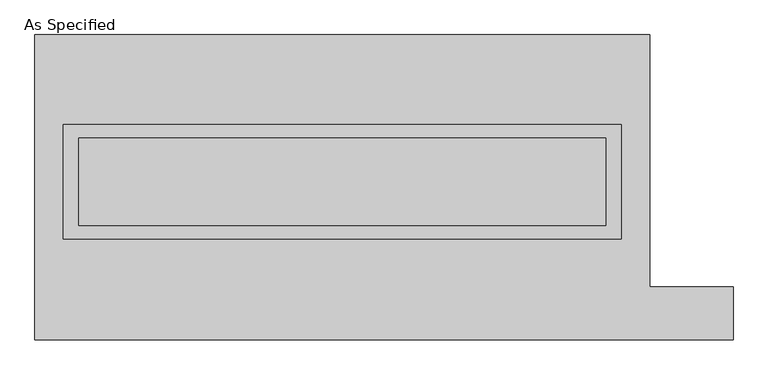
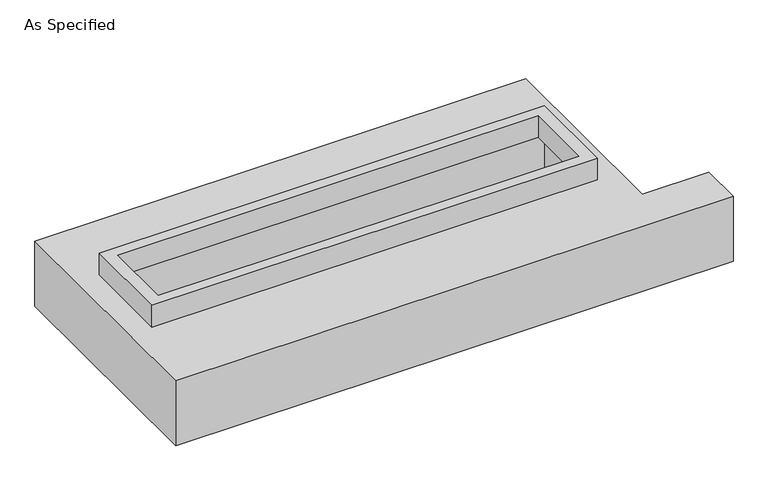
"""IFC4 building model written with IfcOpenShell, lengths in millimetres: proxy geometry, As Specified."""

import ifcopenshell
import ifcopenshell.guid

model = None  # the IFC model being written
_history = None  # IfcOwnerHistory: only IFC2X3 demands one
_inside = {}  # id of a spatial element -> (the spatial element, [elements in it])
_under = {}  # id of a project, library or spatial element -> (it, [spatial elements below it])
_declared = {}  # id of a project -> (the project, [libraries it declares])
_typed = {}  # id of a type object -> (the type object, [elements of that type])
_made_of = {}  # id of a material, layer set ... -> (it, [elements and type objects made of it])


def new_model(schema):
    """Start an empty IFC model of exactly this schema.

    Asked for "IFC4X3", IfcOpenShell would pick the latest addendum, in which some entities
    have other attributes; the version numbers below select the first issue.
    IFC2X3 requires an IfcOwnerHistory on every rooted entity: one is made here for all.
    """
    global model, _history
    if schema == "IFC4X3":
        model = ifcopenshell.file(schema_version=(4, 3, 0, 0))
    else:
        model = ifcopenshell.file(schema=schema)
    _inside.clear()
    _under.clear()
    _declared.clear()
    _typed.clear()
    _made_of.clear()
    _history = None
    if model.schema == "IFC2X3":
        org = make("IfcOrganization", Name="unknown")
        user = make(
            "IfcPersonAndOrganization",
            ThePerson=make("IfcPerson", FamilyName="unknown"),
            TheOrganization=org,
        )
        app = make(
            "IfcApplication",
            ApplicationDeveloper=org,
            Version="unknown",
            ApplicationFullName="unknown",
            ApplicationIdentifier="unknown",
        )
        _history = make(
            "IfcOwnerHistory",
            OwningUser=user,
            OwningApplication=app,
            ChangeAction="ADDED",
            CreationDate=0,
        )
    return model


def make(cls, **values):
    """One entity of the class cls with the attributes given. An attribute that is None is left unset."""
    return model.create_entity(
        cls, **{name: value for name, value in values.items() if value is not None}
    )


def rooted(cls, **values):
    """An entity with a GlobalId (a new one), such as an element, a storey or a relation."""
    return make(cls, GlobalId=ifcopenshell.guid.new(), OwnerHistory=_history, **values)


def si_unit(unit_type, name, prefix=None):
    """IfcSIUnit, for example si_unit("LENGTHUNIT", "METRE", prefix="MILLI")."""
    return make("IfcSIUnit", UnitType=unit_type, Prefix=prefix, Name=name)


def assignment(units):
    """IfcUnitAssignment: the units of a project."""
    return None if units is None else make("IfcUnitAssignment", Units=units)


def point(xyz):
    """IfcCartesianPoint."""
    return None if xyz is None else make("IfcCartesianPoint", Coordinates=xyz)


def direction(xyz):
    """IfcDirection."""
    return None if xyz is None else make("IfcDirection", DirectionRatios=xyz)


def frame(location, z_axis=None, x_axis=None):
    """IfcAxis2Placement3D, a coordinate frame: its origin and axes. An axis left out is left unset."""
    return make(
        "IfcAxis2Placement3D",
        Location=point(location),
        Axis=direction(z_axis),
        RefDirection=direction(x_axis),
    )


def origin():
    """The frame at (0, 0, 0) with its axes left unset."""
    return frame((0.0, 0.0, 0.0))


def place(relative_to, where):
    """IfcLocalPlacement: puts the frame where relative to a parent placement (None: the world)."""
    return make(
        "IfcLocalPlacement", PlacementRelTo=relative_to, RelativePlacement=where
    )


def context(
    kind, dimensions, precision=None, world=None, true_north=None, identifier=None
):
    """IfcGeometricRepresentationContext, for example the 3D "Model" context."""
    return make(
        "IfcGeometricRepresentationContext",
        ContextIdentifier=identifier,
        ContextType=kind,
        CoordinateSpaceDimension=dimensions,
        Precision=precision,
        WorldCoordinateSystem=world,
        TrueNorth=true_north,
    )


def project(units=None, contexts=None):
    """IfcProject with its units and contexts."""
    return rooted(
        "IfcProject",
        Name="project",
        RepresentationContexts=contexts,
        UnitsInContext=assignment(units),
    )


def spatial(cls, under=None, at=None, **own):
    """A site, building, storey or space (cls), placed at a placement, below another one or the project."""
    s = rooted(cls, ObjectPlacement=at, **own)
    if under is not None:
        _under.setdefault(under.id(), (under, []))[1].append(s)
    return s


def polyline(points):
    """IfcPolyline through the points."""
    return make("IfcPolyline", Points=[point(p) for p in points])


def outline(outer, holes=None, kind="AREA"):
    """IfcArbitraryClosedProfileDef: a profile drawn as a closed curve; with holes, ...WithVoids."""
    if holes is None:
        return make("IfcArbitraryClosedProfileDef", ProfileType=kind, OuterCurve=outer)
    return make(
        "IfcArbitraryProfileDefWithVoids",
        ProfileType=kind,
        OuterCurve=outer,
        InnerCurves=holes,
    )


def extrude(swept, where, along, depth):
    """IfcExtrudedAreaSolid: the profile swept, set in the frame where, extruded along a direction by depth."""
    return make(
        "IfcExtrudedAreaSolid",
        SweptArea=swept,
        Position=where,
        ExtrudedDirection=direction(along),
        Depth=depth,
    )


def faces_of(points, faces, orient=None, outer=None):
    """IfcFace entities. A face is a list of loops; a loop is a list of indices into points, from 0.

    orient and outer hold one flag for each loop. By default every Orientation is true, the
    first loop of a face is its IfcFaceOuterBound and the others are IfcFaceBound.
    """
    made = []
    for i, loops in enumerate(faces):
        bounds = []
        for j, loop in enumerate(loops):
            is_outer = j == 0 if outer is None else outer[i][j]
            bounds.append(
                make(
                    "IfcFaceOuterBound" if is_outer else "IfcFaceBound",
                    Bound=make("IfcPolyLoop", Polygon=[points[k] for k in loop]),
                    Orientation=True if orient is None else orient[i][j],
                )
            )
        made.append(make("IfcFace", Bounds=bounds))
    return made


def faceted_brep(points, faces, orient=None, outer=None, voids=None):
    """IfcFacetedBrep: a solid bounded by flat faces; with voids (closed shells), ...WithVoids."""
    shared = [point(p) for p in points]
    hull = make("IfcClosedShell", CfsFaces=faces_of(shared, faces, orient, outer))
    if voids is None:
        return make("IfcFacetedBrep", Outer=hull)
    return make(
        "IfcFacetedBrepWithVoids",
        Outer=hull,
        Voids=[
            make(cls, CfsFaces=faces_of(shared, fs, o, b)) for cls, fs, o, b in voids
        ],
    )


def shape(context_of_items, identifier, shape_type, items):
    """IfcShapeRepresentation: the items that make up one representation, for example the "Body"."""
    return make(
        "IfcShapeRepresentation",
        ContextOfItems=context_of_items,
        RepresentationIdentifier=identifier,
        RepresentationType=shape_type,
        Items=items,
    )


def source(mapping_origin, context_of_items, identifier, shape_type, items):
    """IfcRepresentationMap: a shape defined once, which mapped items show again and again."""
    return make(
        "IfcRepresentationMap",
        MappingOrigin=mapping_origin,
        MappedRepresentation=shape(context_of_items, identifier, shape_type, items),
    )


def transform(
    local_origin,
    x_axis=None,
    y_axis=None,
    z_axis=None,
    scale=None,
    scale2=None,
    scale3=None,
    uniform=True,
):
    """IfcCartesianTransformationOperator3D, or its non-uniform kind. x_axis, y_axis, z_axis: its Axis1, 2, 3."""
    if uniform:
        return make(
            "IfcCartesianTransformationOperator3D",
            Axis1=direction(x_axis),
            Axis2=direction(y_axis),
            LocalOrigin=point(local_origin),
            Scale=scale,
            Axis3=direction(z_axis),
        )
    return make(
        "IfcCartesianTransformationOperator3DnonUniform",
        Axis1=direction(x_axis),
        Axis2=direction(y_axis),
        LocalOrigin=point(local_origin),
        Scale=scale,
        Axis3=direction(z_axis),
        Scale2=scale2,
        Scale3=scale3,
    )


def mapped(mapping_source, mapping_target):
    """IfcMappedItem: shows the shape of a source again, moved by a transform."""
    return make(
        "IfcMappedItem", MappingSource=mapping_source, MappingTarget=mapping_target
    )


def made_of(thing, what):
    """Note that an element or type object is made of a material, layer set ...; save() writes the relation."""
    if what is not None:
        _made_of.setdefault(what.id(), (what, []))[1].append(thing)
    return thing


def element(
    cls,
    number,
    at=None,
    inside=None,
    cuts=None,
    type_object=None,
    material=None,
    context=None,
    identifier="Body",
    shape_type=None,
    held_by="IfcProductDefinitionShape",
    body=None,
    shapes=None,
    **own,
):
    """One element of the class cls, such as IfcWall. Its Tag is "e" and its number.

    at: its placement. inside: the storey or other place that contains it. cuts: it is an
    opening in that element (IfcRelVoidsElement). A single representation is given by context,
    identifier, shape_type and body (its items); several are given by shapes. held_by: the class
    of the entity that holds the representations. save() writes the other relations.
    """
    e = rooted(cls, Tag="e%d" % number, ObjectPlacement=at, **own)
    if body is not None:
        shapes = [shape(context, identifier, shape_type, body)]
    if shapes is not None:
        e.Representation = make(held_by, Representations=shapes)
    if inside is not None:
        _inside.setdefault(inside.id(), (inside, []))[1].append(e)
    if cuts is not None:
        rooted(
            "IfcRelVoidsElement", RelatingBuildingElement=cuts, RelatedOpeningElement=e
        )
    if type_object is not None:
        _typed.setdefault(type_object.id(), (type_object, []))[1].append(e)
    return made_of(e, material)


def aggregate(whole, parts):
    """IfcRelAggregates: a whole, such as a stair, and the parts it consists of."""
    return rooted("IfcRelAggregates", RelatingObject=whole, RelatedObjects=parts)


def save(model, path):
    """Write the relations noted so far, then the file.

    IfcRelAggregates (storeys below a building ...), IfcRelContainedInSpatialStructure (elements
    in a storey), IfcRelDefinesByType, IfcRelAssociatesMaterial and IfcRelDeclares: one each for
    every whole, place, type object, material and project.
    """
    for whole, parts in _under.values():
        aggregate(whole, parts)
    for where, things in _inside.values():
        rooted(
            "IfcRelContainedInSpatialStructure",
            RelatedElements=things,
            RelatingStructure=where,
        )
    for kind, things in _typed.values():
        rooted("IfcRelDefinesByType", RelatedObjects=things, RelatingType=kind)
    for what, things in _made_of.values():
        rooted("IfcRelAssociatesMaterial", RelatedObjects=things, RelatingMaterial=what)
    for by, libraries in _declared.values():
        rooted("IfcRelDeclares", RelatingContext=by, RelatedDefinitions=libraries)
    model.write(path)


def as_specified_26e1564c(model_context):
    return source(origin(), model_context, "Body", "SolidModel", [
        extrude(outline(polyline([(1612.9, 361.95), (1612.9, -298.45), (-1612.9, -298.45), (-1612.9, 361.95), (1612.9, 361.95)]), holes=[polyline([(1524.0, 285.75), (-1524.0, 285.75), (-1524.0, -222.25), (1524.0, -222.25), (1524.0, 285.75)])]), frame((0.0, 0.0, -25.4), z_axis=(0.0, 0.0, 1.0), x_axis=(1.0, 0.0, 0.0)), (0.0, 0.0, 1.0), 165.1),
        faceted_brep([(-1778.0, 882.65, -523.875), (1778.0, 882.65, -523.875), (1778.0, -577.85, -523.875), (2260.6, -577.85, -523.875), (2260.6, -882.65, -523.875), (-1778.0, -882.65, -523.875), (1778.0, 882.65, -25.4), (-1778.0, 882.65, -25.4), (-1778.0, -882.65, -25.4), (2260.6, -882.65, -25.4), (2260.6, -577.85, -25.4), (1778.0, -577.85, -25.4), (-1612.9, -298.45, -25.4), (-1612.9, 361.95, -25.4), (1612.9, 361.95, -25.4), (1612.9, -298.45, -25.4), (1612.9, 361.95, -498.475), (-1612.9, 361.95, -498.475), (-1612.9, -298.45, -498.475), (1612.9, -298.45, -498.475)], [[[0, 1, 2, 3, 4, 5]], [[6, 7, 8, 9, 10, 11], [12, 13, 14, 15]], [[1, 0, 7, 6]], [[7, 0, 5, 8]], [[1, 6, 11, 2]], [[16, 17, 18, 19]], [[18, 17, 13, 12]], [[17, 16, 14, 13]], [[16, 19, 15, 14]], [[19, 18, 12, 15]], [[5, 4, 9, 8]], [[3, 2, 11, 10]], [[4, 3, 10, 9]]]),
    ])


if __name__ == "__main__":
    model = new_model("IFC4")
    model_context = context("Model", 3, world=origin())
    ifc_project = project(units=[si_unit("LENGTHUNIT", "METRE", prefix="MILLI")], contexts=[model_context])
    site = spatial("IfcSite", under=ifc_project)
    building = spatial("IfcBuilding", under=site)
    placement = place(None, origin())
    as_specified_shape = as_specified_26e1564c(model_context)
    element("IfcBuildingElementProxy", 1, Name="As Specified", ObjectType="As Specified", at=placement, inside=building, context=model_context, shape_type="MappedRepresentation", body=[
        mapped(as_specified_shape, transform((0.0, 0.0, 0.0), x_axis=(1.0, 0.0, 0.0), y_axis=(0.0, 1.0, 0.0), z_axis=(0.0, 0.0, 1.0))),
    ])
    save(model, "model.ifc")
